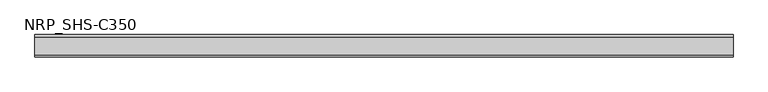
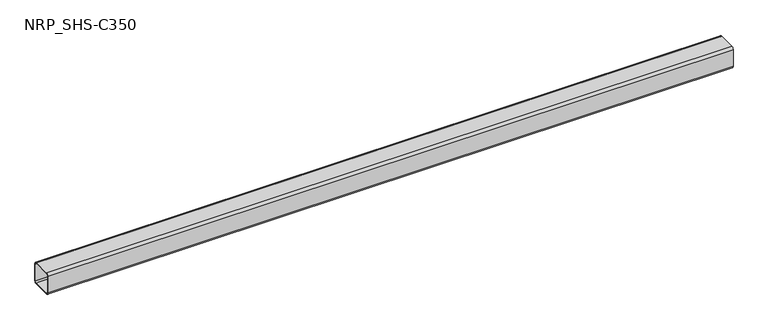
"""IFC4 building model written with IfcOpenShell, lengths in millimetres: member geometry, NRP_SHS-C350."""

from ifc_helpers import new_model, si_unit, point, frame, frame_2d, origin, place, context, project, spatial, polyline, circle_curve, trimmed, segment, composite_curve, outline, extrude, source, transform, mapped, element, save


def nrp_shs_c350_74017d6e(model_context):
    return source(origin(), model_context, "Body", "SweptSolid", [
        extrude(outline(composite_curve([segment(polyline([(44.5, 35.75), (44.5, -35.75)]), True, "CONTINUOUS"), segment(trimmed(circle_curve(frame_2d((35.75, -35.75)), 8.75), [point((44.5, -35.75))], [point((35.75, -44.5))], False, "CARTESIAN"), True, "CONTINUOUS"), segment(polyline([(35.75, -44.5), (-35.75, -44.5)]), True, "CONTINUOUS"), segment(trimmed(circle_curve(frame_2d((-35.75, -35.75)), 8.75), [point((-35.75, -44.5))], [point((-44.5, -35.75))], False, "CARTESIAN"), True, "CONTINUOUS"), segment(polyline([(-44.5, -35.75), (-44.5, 35.75)]), True, "CONTINUOUS"), segment(trimmed(circle_curve(frame_2d((-35.75, 35.75)), 8.75), [point((-44.5, 35.75))], [point((-35.75, 44.5))], False, "CARTESIAN"), True, "CONTINUOUS"), segment(polyline([(-35.75, 44.5), (35.75, 44.5)]), True, "CONTINUOUS"), segment(trimmed(circle_curve(frame_2d((35.75, 35.75)), 8.75), [point((35.75, 44.5))], [point((44.5, 35.75))], False, "CARTESIAN"), True, "CONTINUOUS")], self_intersect=False), holes=[composite_curve([segment(trimmed(circle_curve(frame_2d((-35.75, 35.75)), 5.25), [point((-35.75, 41.0))], [point((-41.0, 35.75))], True, "CARTESIAN"), True, "CONTINUOUS"), segment(polyline([(-41.0, 35.75), (-41.0, -35.75)]), True, "CONTINUOUS"), segment(trimmed(circle_curve(frame_2d((-35.75, -35.75)), 5.25), [point((-41.0, -35.75))], [point((-35.75, -41.0))], True, "CARTESIAN"), True, "CONTINUOUS"), segment(polyline([(-35.75, -41.0), (35.75, -41.0)]), True, "CONTINUOUS"), segment(trimmed(circle_curve(frame_2d((35.75, -35.75)), 5.25), [point((35.75, -41.0))], [point((41.0, -35.75))], True, "CARTESIAN"), True, "CONTINUOUS"), segment(polyline([(41.0, -35.75), (41.0, 35.75)]), True, "CONTINUOUS"), segment(trimmed(circle_curve(frame_2d((35.75, 35.75)), 5.25), [point((41.0, 35.75))], [point((35.75, 41.0))], True, "CARTESIAN"), True, "CONTINUOUS"), segment(polyline([(35.75, 41.0), (-35.75, 41.0)]), True, "CONTINUOUS")], self_intersect=False)]), frame((-1383.0, 0.0, 0.0), z_axis=(1.0, 0.0, 0.0), x_axis=(0.0, 1.0, 0.0)), (0.0, 0.0, 1.0), 2755.0),
    ])


if __name__ == "__main__":
    model = new_model("IFC4")
    model_context = context("Model", 3, world=origin())
    ifc_project = project(units=[si_unit("LENGTHUNIT", "METRE", prefix="MILLI")], contexts=[model_context])
    site = spatial("IfcSite", under=ifc_project)
    building = spatial("IfcBuilding", under=site)
    placement = place(None, origin())
    nrp_shs_c350_shape = nrp_shs_c350_74017d6e(model_context)
    element("IfcMember", 1, ObjectType="NRP_SHS-C350", at=placement, inside=building, context=model_context, shape_type="MappedRepresentation", body=[
        mapped(nrp_shs_c350_shape, transform((0.0, 0.0, 0.0), x_axis=(1.0, 0.0, 0.0), y_axis=(0.0, 1.0, 0.0), z_axis=(0.0, 0.0, 1.0))),
    ])
    save(model, "model.ifc")
